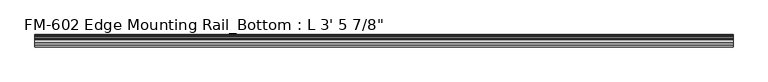
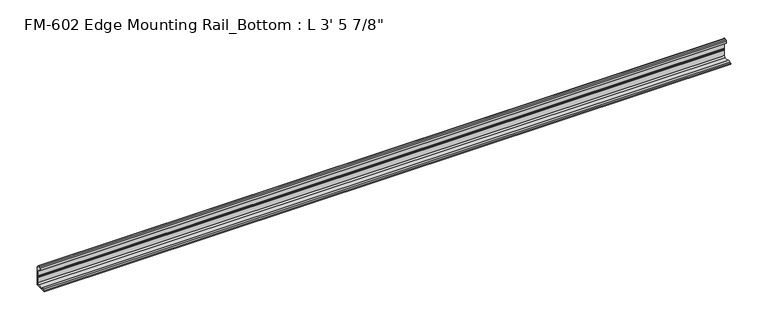
"""IFC4 building model written with IfcOpenShell, lengths in millimetres: proxy geometry."""

from ifc_helpers import new_model, si_unit, point, frame, frame_2d, origin, place, context, project, spatial, polyline, circle_curve, trimmed, segment, composite_curve, outline, extrude, source, transform, mapped, element, save


def proxy_98a5eff1(model_context):
    return source(origin(), model_context, "Body", "SweptSolid", [
        extrude(outline(composite_curve([segment(polyline([(13.6400687, 32.1158903), (15.4750158, 32.6885982)]), True, "CONTINUOUS"), segment(trimmed(circle_curve(frame_2d((15.6853088, 32.2686835)), 0.4696291), [point((15.4750158, 32.6885982))], [point((16.1549378, 32.2686835))], False, "CARTESIAN"), True, "CONTINUOUS"), segment(polyline([(16.1549378, 32.2686835), (16.1549378, 30.7270734)]), True, "CONTINUOUS"), segment(trimmed(circle_curve(frame_2d((17.7424378, 30.7270734)), 1.5875), [point((16.1549378, 30.7270734))], [point((17.7424378, 29.1395734))], True, "CARTESIAN"), True, "CONTINUOUS"), segment(polyline([(17.7424378, 29.1395734), (19.05, 29.1395734), (19.05, 0.0), (0.0, 0.0), (0.0, 1.5875), (3.2106953, 1.5875)]), True, "CONTINUOUS"), segment(trimmed(circle_curve(frame_2d((4.7981953, 1.5875)), 1.5875), [point((3.2106953, 1.5875))], [point((6.3856306, 1.6018315))], False, "CARTESIAN"), True, "CONTINUOUS"), segment(polyline([(6.3856306, 1.6018315), (15.5573314, 1.6102595)]), True, "CONTINUOUS"), segment(trimmed(circle_curve(frame_2d((15.5575, 3.5152595)), 1.905), [point((15.5573314, 1.6102595))], [point((17.4625, 3.5152595))], True, "CARTESIAN"), True, "CONTINUOUS"), segment(polyline([(17.4625, 3.5152595), (17.4625, 12.4909614), (17.9716639, 13.408381), (17.9716639, 14.7485418), (17.4625, 15.6659614), (17.4625, 26.8535734)]), True, "CONTINUOUS"), segment(trimmed(circle_curve(frame_2d((16.9545, 26.8535734)), 0.508), [point((17.4625, 26.8535734))], [point((16.9376166, 27.3612928))], True, "CARTESIAN"), True, "CONTINUOUS"), segment(trimmed(circle_curve(frame_2d((16.9169378, 26.5995734)), 0.762), [point((16.9376166, 27.3612928))], [point((16.1779173, 26.4138515))], True, "CARTESIAN"), True, "CONTINUOUS"), segment(trimmed(circle_curve(frame_2d((15.6245238, 26.2747792)), 0.5706009), [point((16.1779173, 26.4138515))], [point((15.4364113, 25.7360779))], False, "CARTESIAN"), True, "CONTINUOUS"), segment(polyline([(15.4364113, 25.7360779), (13.6400687, 26.2967369)]), True, "CONTINUOUS"), segment(trimmed(circle_curve(frame_2d((14.5481808, 29.2063136)), 3.048), [point((13.6400687, 26.2967369))], [point((11.9462301, 30.7938136))], False, "CARTESIAN"), True, "CONTINUOUS"), segment(trimmed(circle_curve(frame_2d((14.5481808, 29.2063136)), 3.048), [point((11.9462301, 30.7938136))], [point((13.6400687, 32.1158903))], False, "CARTESIAN"), True, "CONTINUOUS")], self_intersect=False)), frame((-758.825, 0.0, 0.0), z_axis=(1.0, 0.0, 0.0), x_axis=(0.0, 1.0, 0.0)), (0.0, 0.0, 1.0), 1063.625),
    ])


if __name__ == "__main__":
    model = new_model("IFC4")
    model_context = context("Model", 3, world=origin())
    ifc_project = project(units=[si_unit("LENGTHUNIT", "METRE", prefix="MILLI")], contexts=[model_context])
    site = spatial("IfcSite", under=ifc_project)
    building = spatial("IfcBuilding", under=site)
    placement = place(None, origin())
    proxy_shape = proxy_98a5eff1(model_context)
    element("IfcBuildingElementProxy", 1, Name="FM-602 Edge Mounting Rail_Bottom : L 3' 5 7/8\"", ObjectType="FM-602 Edge Mounting Rail_Bottom : L 3' 5 7/8\"", at=placement, inside=building, context=model_context, shape_type="MappedRepresentation", body=[
        mapped(proxy_shape, transform((0.0, 0.0, 0.0), x_axis=(1.0, 0.0, 0.0), y_axis=(0.0, 1.0, 0.0), z_axis=(0.0, 0.0, 1.0))),
    ])
    save(model, "model.ifc")
